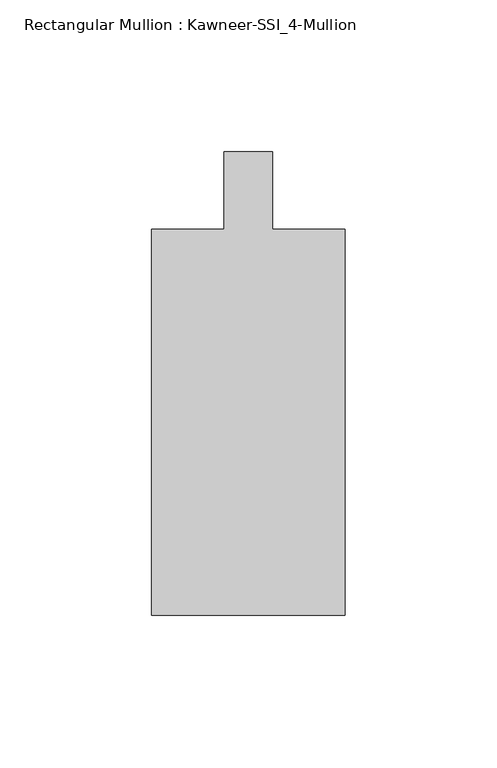
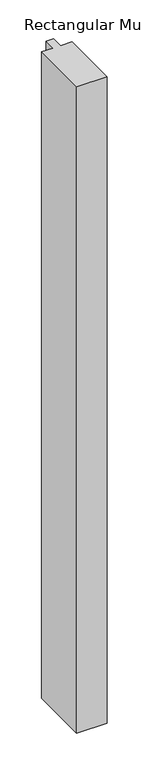
"""IFC4 building model written with IfcOpenShell, lengths in millimetres: member geometry, Rectangular Mullion : Kawneer-SSI_4-Mullion."""

from ifc_helpers import new_model, si_unit, frame, origin, place, context, project, spatial, polyline, outline, extrude, source, transform, mapped, element, save


def rectangular_mullion_kawneer_ssi_4_mullion_985e64d7(model_context):
    return source(origin(), model_context, "Body", "SweptSolid", [
        extrude(outline(polyline([(-31.75, -139.7), (-31.75, -12.7), (-7.9375, -12.7), (-7.9375, 12.7), (7.9375, 12.7), (7.9375, -12.7), (31.75, -12.7), (31.75, -139.7), (-31.75, -139.7)])), frame((0.0, 0.0, -1428.75), z_axis=(0.0, 0.0, 1.0), x_axis=(1.0, 0.0, 0.0)), (0.0, 0.0, 1.0), 1428.75),
    ])


if __name__ == "__main__":
    model = new_model("IFC4")
    model_context = context("Model", 3, world=origin())
    ifc_project = project(units=[si_unit("LENGTHUNIT", "METRE", prefix="MILLI")], contexts=[model_context])
    site = spatial("IfcSite", under=ifc_project)
    building = spatial("IfcBuilding", under=site)
    placement = place(None, origin())
    rectangular_mullion_kawneer_ssi_4_mullion_shape = rectangular_mullion_kawneer_ssi_4_mullion_985e64d7(model_context)
    element("IfcMember", 1, ObjectType="Rectangular Mullion : Kawneer-SSI_4-Mullion", at=placement, inside=building, context=model_context, shape_type="MappedRepresentation", body=[
        mapped(rectangular_mullion_kawneer_ssi_4_mullion_shape, transform((0.0, 0.0, 0.0), x_axis=(1.0, 0.0, 0.0), y_axis=(0.0, 1.0, 0.0), z_axis=(0.0, 0.0, 1.0))),
    ])
    save(model, "model.ifc")
